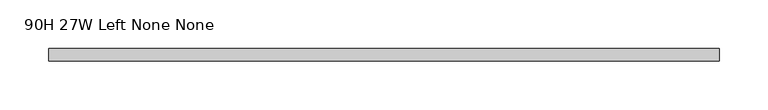
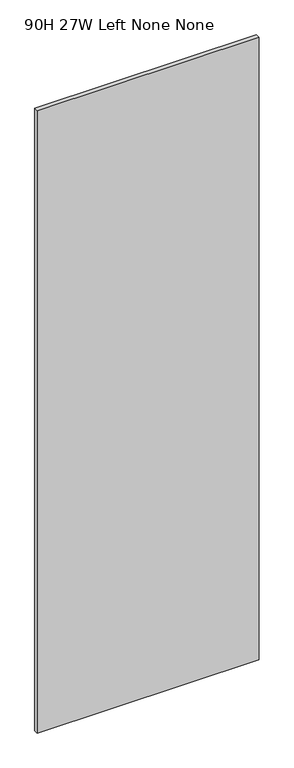
"""IFC4 building model written with IfcOpenShell, lengths in millimetres: furniture geometry, 90H 27W Left None None."""

from ifc_helpers import new_model, si_unit, frame, origin, place, context, project, spatial, polyline, outline, extrude, source, transform, mapped, element, save


def furniture_90h_27w_left_none_none_84363abf(model_context):
    return source(origin(), model_context, "Body", "SweptSolid", [
        extrude(outline(polyline([(685.8, -50.8000015), (0.0, -50.8000015), (0.0, -38.1), (685.8, -38.1), (685.8, -50.8000015)])), frame((0.0, 0.0, 139.700003), z_axis=(0.0, 0.0, 1.0), x_axis=(1.0, 0.0, 0.0)), (0.0, 0.0, 1.0), 2031.999997),
    ])


if __name__ == "__main__":
    model = new_model("IFC4")
    model_context = context("Model", 3, world=origin())
    ifc_project = project(units=[si_unit("LENGTHUNIT", "METRE", prefix="MILLI")], contexts=[model_context])
    site = spatial("IfcSite", under=ifc_project)
    building = spatial("IfcBuilding", under=site)
    placement = place(None, origin())
    furniture_90h_27w_left_none_none_shape = furniture_90h_27w_left_none_none_84363abf(model_context)
    element("IfcFurniture", 1, ObjectType="90H 27W Left None None", at=placement, inside=building, context=model_context, shape_type="MappedRepresentation", body=[
        mapped(furniture_90h_27w_left_none_none_shape, transform((0.0, 0.0, 0.0), x_axis=(1.0, 0.0, 0.0), y_axis=(0.0, 1.0, 0.0), z_axis=(0.0, 0.0, 1.0))),
    ])
    save(model, "model.ifc")
